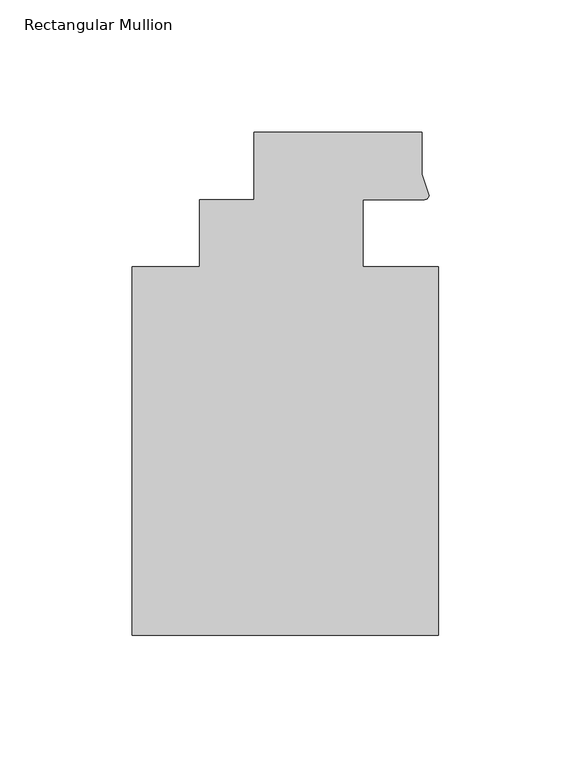
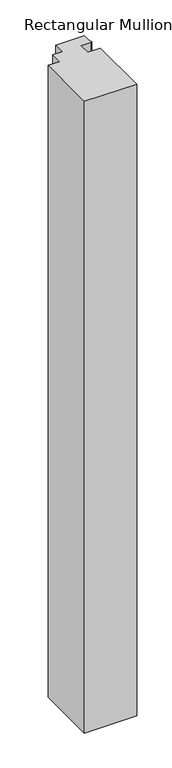
"""IFC4 building model written with IfcOpenShell, lengths in millimetres: member geometry, Rectangular Mullion."""

from ifc_helpers import new_model, si_unit, point, frame, frame_2d, origin, place, context, project, spatial, polyline, circle_curve, trimmed, segment, composite_curve, outline, extrude, source, transform, mapped, element, save


def rectangular_mullion_78f40de4(model_context):
    return source(origin(), model_context, "Body", "SweptSolid", [
        extrude(outline(composite_curve([segment(polyline([(48.2997293, 12.7000881), (25.0401592, 12.7000881), (25.0401592, -12.7), (53.615046, -12.7), (53.615046, -151.892), (-62.2957636, -151.892), (-62.2957636, -12.7), (-36.8958768, -12.7), (-36.8958768, 12.7), (-16.234954, 12.7), (-16.234954, 38.1), (47.265046, 38.1), (47.265046, 22.2250977), (49.9159011, 14.2884292)]), True, "CONTINUOUS"), segment(trimmed(circle_curve(frame_2d((48.2162832, 14.401412)), 1.703369), [point((49.9159011, 14.2884292))], [point((48.2997293, 12.7000881))], False, "CARTESIAN"), True, "CONTINUOUS")], self_intersect=False)), frame((0.0, 0.0, -1481.5954004), z_axis=(0.0, 0.0, 1.0), x_axis=(1.0, 0.0, 0.0)), (0.0, 0.0, 1.0), 1481.5954004),
    ])


if __name__ == "__main__":
    model = new_model("IFC4")
    model_context = context("Model", 3, world=origin())
    ifc_project = project(units=[si_unit("LENGTHUNIT", "METRE", prefix="MILLI")], contexts=[model_context])
    site = spatial("IfcSite", under=ifc_project)
    building = spatial("IfcBuilding", under=site)
    placement = place(None, origin())
    rectangular_mullion_shape = rectangular_mullion_78f40de4(model_context)
    element("IfcMember", 1, ObjectType="Rectangular Mullion", at=placement, inside=building, context=model_context, shape_type="MappedRepresentation", body=[
        mapped(rectangular_mullion_shape, transform((0.0, 0.0, 0.0), x_axis=(1.0, 0.0, 0.0), y_axis=(0.0, 1.0, 0.0), z_axis=(0.0, 0.0, 1.0))),
    ])
    save(model, "model.ifc")
